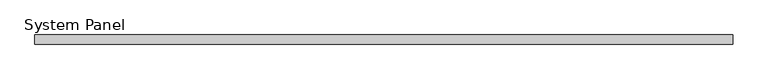
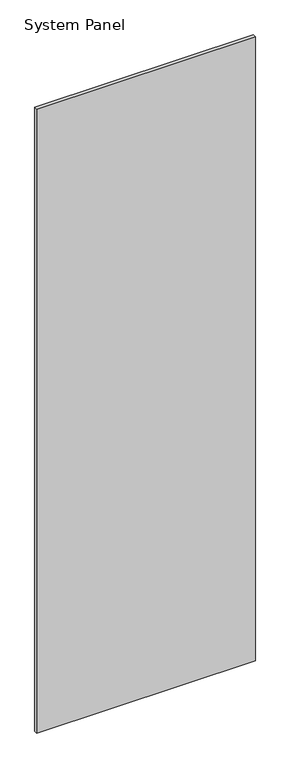
"""IFC4 building model written with IfcOpenShell, lengths in millimetres: plate geometry, System Panel."""

from ifc_helpers import new_model, si_unit, origin, origin_with_axes, place, context, project, spatial, polyline, outline, extrude, source, transform, mapped, element, save


def system_panel_b942d263(model_context):
    return source(origin(), model_context, "Body", "SweptSolid", [
        extrude(outline(polyline([(595.0, -8.0), (-595.0, -8.0), (-595.0, 8.0), (595.0, 8.0), (595.0, -8.0)])), origin_with_axes(), (0.0, 0.0, 1.0), 3585.0),
    ])


if __name__ == "__main__":
    model = new_model("IFC4")
    model_context = context("Model", 3, world=origin())
    ifc_project = project(units=[si_unit("LENGTHUNIT", "METRE", prefix="MILLI")], contexts=[model_context])
    site = spatial("IfcSite", under=ifc_project)
    building = spatial("IfcBuilding", under=site)
    placement = place(None, origin())
    system_panel_shape = system_panel_b942d263(model_context)
    element("IfcPlate", 1, ObjectType="System Panel", at=placement, inside=building, context=model_context, shape_type="MappedRepresentation", body=[
        mapped(system_panel_shape, transform((0.0, 0.0, 0.0), x_axis=(1.0, 0.0, 0.0), y_axis=(0.0, 1.0, 0.0), z_axis=(0.0, 0.0, 1.0))),
    ])
    save(model, "model.ifc")
